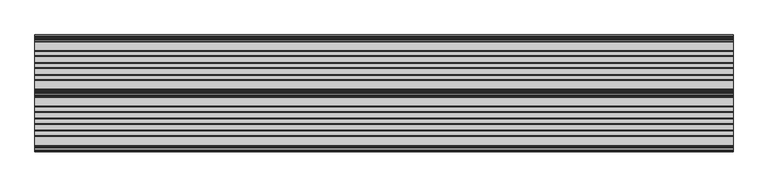
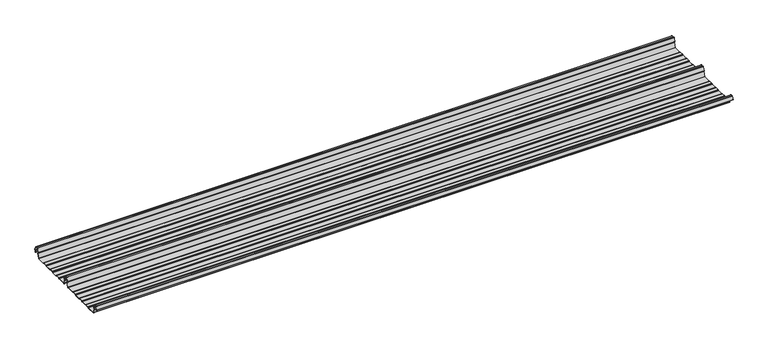
"""IFC4 building model written with IfcOpenShell, lengths in millimetres: beam geometry."""

from ifc_helpers import new_model, si_unit, point, frame, frame_2d, origin, place, context, project, spatial, polyline, circle_curve, trimmed, segment, composite_curve, outline, extrude, source, transform, mapped, element, save


def beam_7d9052f3(model_context):
    return source(origin(), model_context, "Body", "SweptSolid", [
        extrude(outline(composite_curve([segment(trimmed(circle_curve(frame_2d((-231.1362436, -24.0396475)), 1.75), [point((-231.1362436, -25.7896475))], [point((-232.7807057, -24.6381827))], False, "CARTESIAN"), True, "CONTINUOUS"), segment(polyline([(-232.7807057, -24.6381827), (-241.6888002, -2.1633943)]), True, "CONTINUOUS"), segment(trimmed(circle_curve(frame_2d((-240.0443381, -1.5648591)), 1.75), [point((-241.6888002, -2.1633943))], [point((-240.4972714, 0.1255111))], False, "CARTESIAN"), True, "CONTINUOUS"), segment(polyline([(-240.4972714, 0.1255111), (-237.8419476, 0.837003)]), True, "CONTINUOUS"), segment(trimmed(circle_curve(frame_2d((-238.1654714, 2.0444103)), 1.25), [point((-237.8419476, 0.837003))], [point((-236.9908556, 2.4719355))], True, "CARTESIAN"), True, "CONTINUOUS"), segment(polyline([(-236.9908556, 2.4719355), (-243.8110817, 21.2103525), (-250.0, 21.2103525), (-256.1889183, 21.2103525), (-263.0091444, 2.4719355)]), True, "CONTINUOUS"), segment(trimmed(circle_curve(frame_2d((-261.8345286, 2.0444103)), 1.25), [point((-263.0091444, 2.4719355))], [point((-262.1580524, 0.837003))], True, "CARTESIAN"), True, "CONTINUOUS"), segment(polyline([(-262.1580524, 0.837003), (-259.5027286, 0.1255111)]), True, "CONTINUOUS"), segment(trimmed(circle_curve(frame_2d((-259.9556619, -1.5648591)), 1.75), [point((-259.5027286, 0.1255111))], [point((-258.3111998, -2.1633943))], False, "CARTESIAN"), True, "CONTINUOUS"), segment(polyline([(-258.3111998, -2.1633943), (-267.2192943, -24.6381827)]), True, "CONTINUOUS"), segment(trimmed(circle_curve(frame_2d((-268.8637564, -24.0396475)), 1.75), [point((-267.2192943, -24.6381827))], [point((-268.8637564, -25.7896475))], False, "CARTESIAN"), True, "CONTINUOUS"), segment(polyline([(-268.8637564, -25.7896475), (-307.3786797, -25.7896475)]), True, "CONTINUOUS"), segment(trimmed(circle_curve(frame_2d((-307.3786797, -24.0396475)), 1.75), [point((-307.3786797, -25.7896475))], [point((-308.6161165, -25.2770843))], False, "CARTESIAN"), True, "CONTINUOUS"), segment(polyline([(-308.6161165, -25.2770843), (-310.7788845, -23.1143163)]), True, "CONTINUOUS"), segment(trimmed(circle_curve(frame_2d((-311.5627045, -23.8981363)), 1.1084889), [point((-310.7788845, -23.1143163))], [point((-311.5627045, -22.7896475))], True, "CARTESIAN"), True, "CONTINUOUS"), segment(polyline([(-311.5627045, -22.7896475), (-330.4372955, -22.7896475)]), True, "CONTINUOUS"), segment(trimmed(circle_curve(frame_2d((-330.4372955, -23.8981363)), 1.1084889), [point((-330.4372955, -22.7896475))], [point((-331.2211155, -23.1143163))], True, "CARTESIAN"), True, "CONTINUOUS"), segment(polyline([(-331.2211155, -23.1143163), (-333.3838835, -25.2770843)]), True, "CONTINUOUS"), segment(trimmed(circle_curve(frame_2d((-334.6213203, -24.0396475)), 1.75), [point((-333.3838835, -25.2770843))], [point((-334.6213203, -25.7896475))], False, "CARTESIAN"), True, "CONTINUOUS"), segment(polyline([(-334.6213203, -25.7896475), (-361.3786797, -25.7896475)]), True, "CONTINUOUS"), segment(trimmed(circle_curve(frame_2d((-361.3786797, -24.0396475)), 1.75), [point((-361.3786797, -25.7896475))], [point((-362.6161165, -25.2770843))], False, "CARTESIAN"), True, "CONTINUOUS"), segment(polyline([(-362.6161165, -25.2770843), (-364.7788845, -23.1143163)]), True, "CONTINUOUS"), segment(trimmed(circle_curve(frame_2d((-365.5627045, -23.8981363)), 1.1084889), [point((-364.7788845, -23.1143163))], [point((-365.5627045, -22.7896475))], True, "CARTESIAN"), True, "CONTINUOUS"), segment(polyline([(-365.5627045, -22.7896475), (-384.4372955, -22.7896475)]), True, "CONTINUOUS"), segment(trimmed(circle_curve(frame_2d((-384.4372955, -23.8981363)), 1.1084889), [point((-384.4372955, -22.7896475))], [point((-385.2211155, -23.1143163))], True, "CARTESIAN"), True, "CONTINUOUS"), segment(polyline([(-385.2211155, -23.1143163), (-387.3838835, -25.2770843)]), True, "CONTINUOUS"), segment(trimmed(circle_curve(frame_2d((-388.6213203, -24.0396475)), 1.75), [point((-387.3838835, -25.2770843))], [point((-388.6213203, -25.7896475))], False, "CARTESIAN"), True, "CONTINUOUS"), segment(polyline([(-388.6213203, -25.7896475), (-415.3786797, -25.7896475)]), True, "CONTINUOUS"), segment(trimmed(circle_curve(frame_2d((-415.3786797, -24.0396475)), 1.75), [point((-415.3786797, -25.7896475))], [point((-416.6161165, -25.2770843))], False, "CARTESIAN"), True, "CONTINUOUS"), segment(polyline([(-416.6161165, -25.2770843), (-418.7788845, -23.1143163)]), True, "CONTINUOUS"), segment(trimmed(circle_curve(frame_2d((-419.5627045, -23.8981363)), 1.1084889), [point((-418.7788845, -23.1143163))], [point((-419.5627045, -22.7896475))], True, "CARTESIAN"), True, "CONTINUOUS"), segment(polyline([(-419.5627045, -22.7896475), (-438.4372955, -22.7896475)]), True, "CONTINUOUS"), segment(trimmed(circle_curve(frame_2d((-438.4372955, -23.8981363)), 1.1084889), [point((-438.4372955, -22.7896475))], [point((-439.2211155, -23.1143163))], True, "CARTESIAN"), True, "CONTINUOUS"), segment(polyline([(-439.2211155, -23.1143163), (-441.3838835, -25.2770843)]), True, "CONTINUOUS"), segment(trimmed(circle_curve(frame_2d((-442.6213203, -24.0396475)), 1.75), [point((-441.3838835, -25.2770843))], [point((-442.6213203, -25.7896475))], False, "CARTESIAN"), True, "CONTINUOUS"), segment(polyline([(-442.6213203, -25.7896475), (-483.287616, -25.7896475)]), True, "CONTINUOUS"), segment(trimmed(circle_curve(frame_2d((-483.287616, -24.0396475)), 1.75), [point((-483.287616, -25.7896475))], [point((-484.8955882, -24.7302452))], False, "CARTESIAN"), True, "CONTINUOUS"), segment(polyline([(-484.8955882, -24.7302452), (-493.5565428, -2.8789816)]), True, "CONTINUOUS"), segment(trimmed(circle_curve(frame_2d((-490.0443381, -1.5648591)), 3.75), [point((-493.5565428, -2.8789816))], [point((-490.3464639, 2.1729504))], False, "CARTESIAN"), True, "CONTINUOUS"), segment(trimmed(circle_curve(frame_2d((-490.426413, 3.162057)), 0.9923325), [point((-490.3464639, 2.1729504))], [point((-489.4939255, 3.5014547))], True, "CARTESIAN"), True, "CONTINUOUS"), segment(polyline([(-489.4939255, 3.5014547), (-494.9720116, 18.5523727)]), True, "CONTINUOUS"), segment(trimmed(circle_curve(frame_2d((-495.9117043, 18.2103525)), 1.0), [point((-494.9720116, 18.5523727))], [point((-495.9117043, 19.2103525))], True, "CARTESIAN"), True, "CONTINUOUS"), segment(polyline([(-495.9117043, 19.2103525), (-504.0882957, 19.2103525)]), True, "CONTINUOUS"), segment(trimmed(circle_curve(frame_2d((-504.0882957, 18.2103525)), 1.0), [point((-504.0882957, 19.2103525))], [point((-505.0279884, 18.5523727))], True, "CARTESIAN"), True, "CONTINUOUS"), segment(polyline([(-505.0279884, 18.5523727), (-510.4799156, 3.5733257)]), True, "CONTINUOUS"), segment(trimmed(circle_curve(frame_2d((-510.9497619, 3.7443357)), 0.5), [point((-510.4799156, 3.5733257))], [point((-511.4196082, 3.9153458))], False, "CARTESIAN"), True, "CONTINUOUS"), segment(polyline([(-511.4196082, 3.9153458), (-505.967681, 18.8943928)]), True, "CONTINUOUS"), segment(trimmed(circle_curve(frame_2d((-504.0882957, 18.2103525)), 2.0), [point((-505.967681, 18.8943928))], [point((-504.0882957, 20.2103525))], False, "CARTESIAN"), True, "CONTINUOUS"), segment(polyline([(-504.0882957, 20.2103525), (-495.9117043, 20.2103525)]), True, "CONTINUOUS"), segment(trimmed(circle_curve(frame_2d((-495.9117043, 18.2103525)), 2.0), [point((-495.9117043, 20.2103525))], [point((-494.032319, 18.8943928))], False, "CARTESIAN"), True, "CONTINUOUS"), segment(polyline([(-494.032319, 18.8943928), (-488.5542329, 3.8434749)]), True, "CONTINUOUS"), segment(trimmed(circle_curve(frame_2d((-490.426413, 3.162057)), 1.9923325), [point((-488.5542329, 3.8434749))], [point((-490.265897, 1.1762012))], False, "CARTESIAN"), True, "CONTINUOUS"), segment(trimmed(circle_curve(frame_2d((-490.0443381, -1.5648591)), 2.75), [point((-490.265897, 1.1762012))], [point((-492.6230664, -2.5201915))], True, "CARTESIAN"), True, "CONTINUOUS"), segment(polyline([(-492.6230664, -2.5201915), (-483.9722515, -24.3458733)]), True, "CONTINUOUS"), segment(trimmed(circle_curve(frame_2d((-483.287616, -24.0396475)), 0.75), [point((-483.9722515, -24.3458733))], [point((-483.287616, -24.7896475))], True, "CARTESIAN"), True, "CONTINUOUS"), segment(polyline([(-483.287616, -24.7896475), (-442.7420401, -24.7896475)]), True, "CONTINUOUS"), segment(trimmed(circle_curve(frame_2d((-442.7420401, -23.7482041)), 1.0414433), [point((-442.7420401, -24.7896475))], [point((-442.0056285, -24.4846158))], True, "CARTESIAN"), True, "CONTINUOUS"), segment(polyline([(-442.0056285, -24.4846158), (-439.9696699, -22.4486572)]), True, "CONTINUOUS"), segment(trimmed(circle_curve(frame_2d((-438.3786797, -24.0396475)), 2.25), [point((-439.9696699, -22.4486572))], [point((-438.3786797, -21.7896475))], False, "CARTESIAN"), True, "CONTINUOUS"), segment(polyline([(-438.3786797, -21.7896475), (-419.6213203, -21.7896475)]), True, "CONTINUOUS"), segment(trimmed(circle_curve(frame_2d((-419.6213203, -24.0396475)), 2.25), [point((-419.6213203, -21.7896475))], [point((-418.0303301, -22.4486572))], False, "CARTESIAN"), True, "CONTINUOUS"), segment(polyline([(-418.0303301, -22.4486572), (-415.9943715, -24.4846158)]), True, "CONTINUOUS"), segment(trimmed(circle_curve(frame_2d((-415.2579599, -23.7482041)), 1.0414433), [point((-415.9943715, -24.4846158))], [point((-415.2579599, -24.7896475))], True, "CARTESIAN"), True, "CONTINUOUS"), segment(polyline([(-415.2579599, -24.7896475), (-388.7420401, -24.7896475)]), True, "CONTINUOUS"), segment(trimmed(circle_curve(frame_2d((-388.7420401, -23.7482041)), 1.0414433), [point((-388.7420401, -24.7896475))], [point((-388.0056285, -24.4846158))], True, "CARTESIAN"), True, "CONTINUOUS"), segment(polyline([(-388.0056285, -24.4846158), (-385.9696699, -22.4486572)]), True, "CONTINUOUS"), segment(trimmed(circle_curve(frame_2d((-384.3786797, -24.0396475)), 2.25), [point((-385.9696699, -22.4486572))], [point((-384.3786797, -21.7896475))], False, "CARTESIAN"), True, "CONTINUOUS"), segment(polyline([(-384.3786797, -21.7896475), (-365.6213203, -21.7896475)]), True, "CONTINUOUS"), segment(trimmed(circle_curve(frame_2d((-365.6213203, -24.0396475)), 2.25), [point((-365.6213203, -21.7896475))], [point((-364.0303301, -22.4486572))], False, "CARTESIAN"), True, "CONTINUOUS"), segment(polyline([(-364.0303301, -22.4486572), (-361.9943715, -24.4846158)]), True, "CONTINUOUS"), segment(trimmed(circle_curve(frame_2d((-361.2579599, -23.7482041)), 1.0414433), [point((-361.9943715, -24.4846158))], [point((-361.2579599, -24.7896475))], True, "CARTESIAN"), True, "CONTINUOUS"), segment(polyline([(-361.2579599, -24.7896475), (-334.7420401, -24.7896475)]), True, "CONTINUOUS"), segment(trimmed(circle_curve(frame_2d((-334.7420401, -23.7482041)), 1.0414433), [point((-334.7420401, -24.7896475))], [point((-334.0056285, -24.4846158))], True, "CARTESIAN"), True, "CONTINUOUS"), segment(polyline([(-334.0056285, -24.4846158), (-331.9696699, -22.4486572)]), True, "CONTINUOUS"), segment(trimmed(circle_curve(frame_2d((-330.3786797, -24.0396475)), 2.25), [point((-331.9696699, -22.4486572))], [point((-330.3786797, -21.7896475))], False, "CARTESIAN"), True, "CONTINUOUS"), segment(polyline([(-330.3786797, -21.7896475), (-311.6213203, -21.7896475)]), True, "CONTINUOUS"), segment(trimmed(circle_curve(frame_2d((-311.6213203, -24.0396475)), 2.25), [point((-311.6213203, -21.7896475))], [point((-310.0303301, -22.4486572))], False, "CARTESIAN"), True, "CONTINUOUS"), segment(polyline([(-310.0303301, -22.4486572), (-307.9943715, -24.4846158)]), True, "CONTINUOUS"), segment(trimmed(circle_curve(frame_2d((-307.2579599, -23.7482041)), 1.0414433), [point((-307.9943715, -24.4846158))], [point((-307.2579599, -24.7896475))], True, "CARTESIAN"), True, "CONTINUOUS"), segment(polyline([(-307.2579599, -24.7896475), (-268.8637564, -24.7896475)]), True, "CONTINUOUS"), segment(trimmed(circle_curve(frame_2d((-268.8637564, -24.0396475)), 0.75), [point((-268.8637564, -24.7896475))], [point((-268.1552359, -24.2856122))], True, "CARTESIAN"), True, "CONTINUOUS"), segment(polyline([(-268.1552359, -24.2856122), (-259.2471414, -1.8108238)]), True, "CONTINUOUS"), segment(trimmed(circle_curve(frame_2d((-259.9556619, -1.5648591)), 0.75), [point((-259.2471414, -1.8108238))], [point((-259.7615476, -0.8404147))], True, "CARTESIAN"), True, "CONTINUOUS"), segment(polyline([(-259.7615476, -0.8404147), (-262.4168715, -0.1289228)]), True, "CONTINUOUS"), segment(trimmed(circle_curve(frame_2d((-261.8345286, 2.0444103)), 2.25), [point((-262.4168715, -0.1289228))], [point((-263.948837, 2.8139556))], False, "CARTESIAN"), True, "CONTINUOUS"), segment(polyline([(-263.948837, 2.8139556), (-257.1273286, 21.5558959)]), True, "CONTINUOUS"), segment(trimmed(circle_curve(frame_2d((-256.1926676, 21.2157071)), 0.9946455), [point((-257.1273286, 21.5558959))], [point((-256.1926676, 22.2103525))], False, "CARTESIAN"), True, "CONTINUOUS"), segment(polyline([(-256.1926676, 22.2103525), (-250.0, 22.2103525), (-243.8073324, 22.2103525)]), True, "CONTINUOUS"), segment(trimmed(circle_curve(frame_2d((-243.8073324, 21.2157071)), 0.9946455), [point((-243.8073324, 22.2103525))], [point((-242.8726714, 21.5558959))], False, "CARTESIAN"), True, "CONTINUOUS"), segment(polyline([(-242.8726714, 21.5558959), (-236.051163, 2.8139556)]), True, "CONTINUOUS"), segment(trimmed(circle_curve(frame_2d((-238.1654714, 2.0444103)), 2.25), [point((-236.051163, 2.8139556))], [point((-237.5831285, -0.1289228))], False, "CARTESIAN"), True, "CONTINUOUS"), segment(polyline([(-237.5831285, -0.1289228), (-240.2384524, -0.8404147)]), True, "CONTINUOUS"), segment(trimmed(circle_curve(frame_2d((-240.0443381, -1.5648591)), 0.75), [point((-240.2384524, -0.8404147))], [point((-240.7528586, -1.8108238))], True, "CARTESIAN"), True, "CONTINUOUS"), segment(polyline([(-240.7528586, -1.8108238), (-231.8447641, -24.2856122)]), True, "CONTINUOUS"), segment(trimmed(circle_curve(frame_2d((-231.1362436, -24.0396475)), 0.75), [point((-231.8447641, -24.2856122))], [point((-231.1362436, -24.7896475))], True, "CARTESIAN"), True, "CONTINUOUS"), segment(polyline([(-231.1362436, -24.7896475), (-192.7420401, -24.7896475)]), True, "CONTINUOUS"), segment(trimmed(circle_curve(frame_2d((-192.7420401, -23.7482041)), 1.0414433), [point((-192.7420401, -24.7896475))], [point((-192.0056285, -24.4846158))], True, "CARTESIAN"), True, "CONTINUOUS"), segment(polyline([(-192.0056285, -24.4846158), (-189.9696699, -22.4486572)]), True, "CONTINUOUS"), segment(trimmed(circle_curve(frame_2d((-188.3786797, -24.0396475)), 2.25), [point((-189.9696699, -22.4486572))], [point((-188.3786797, -21.7896475))], False, "CARTESIAN"), True, "CONTINUOUS"), segment(polyline([(-188.3786797, -21.7896475), (-169.6213203, -21.7896475)]), True, "CONTINUOUS"), segment(trimmed(circle_curve(frame_2d((-169.6213203, -24.0396475)), 2.25), [point((-169.6213203, -21.7896475))], [point((-168.0303301, -22.4486572))], False, "CARTESIAN"), True, "CONTINUOUS"), segment(polyline([(-168.0303301, -22.4486572), (-165.9943715, -24.4846158)]), True, "CONTINUOUS"), segment(trimmed(circle_curve(frame_2d((-165.2579599, -23.7482041)), 1.0414433), [point((-165.9943715, -24.4846158))], [point((-165.2579599, -24.7896475))], True, "CARTESIAN"), True, "CONTINUOUS"), segment(polyline([(-165.2579599, -24.7896475), (-138.7420401, -24.7896475)]), True, "CONTINUOUS"), segment(trimmed(circle_curve(frame_2d((-138.7420401, -23.7482041)), 1.0414433), [point((-138.7420401, -24.7896475))], [point((-138.0056285, -24.4846158))], True, "CARTESIAN"), True, "CONTINUOUS"), segment(polyline([(-138.0056285, -24.4846158), (-135.9696699, -22.4486572)]), True, "CONTINUOUS"), segment(trimmed(circle_curve(frame_2d((-134.3786797, -24.0396475)), 2.25), [point((-135.9696699, -22.4486572))], [point((-134.3786797, -21.7896475))], False, "CARTESIAN"), True, "CONTINUOUS"), segment(polyline([(-134.3786797, -21.7896475), (-115.6213203, -21.7896475)]), True, "CONTINUOUS"), segment(trimmed(circle_curve(frame_2d((-115.6213203, -24.0396475)), 2.25), [point((-115.6213203, -21.7896475))], [point((-114.0303301, -22.4486572))], False, "CARTESIAN"), True, "CONTINUOUS"), segment(polyline([(-114.0303301, -22.4486572), (-111.9943715, -24.4846158)]), True, "CONTINUOUS"), segment(trimmed(circle_curve(frame_2d((-111.2579599, -23.7482041)), 1.0414433), [point((-111.9943715, -24.4846158))], [point((-111.2579599, -24.7896475))], True, "CARTESIAN"), True, "CONTINUOUS"), segment(polyline([(-111.2579599, -24.7896475), (-84.7420401, -24.7896475)]), True, "CONTINUOUS"), segment(trimmed(circle_curve(frame_2d((-84.7420401, -23.7482041)), 1.0414433), [point((-84.7420401, -24.7896475))], [point((-84.0056285, -24.4846158))], True, "CARTESIAN"), True, "CONTINUOUS"), segment(polyline([(-84.0056285, -24.4846158), (-81.9696699, -22.4486572)]), True, "CONTINUOUS"), segment(trimmed(circle_curve(frame_2d((-80.3786797, -24.0396475)), 2.25), [point((-81.9696699, -22.4486572))], [point((-80.3786797, -21.7896475))], False, "CARTESIAN"), True, "CONTINUOUS"), segment(polyline([(-80.3786797, -21.7896475), (-61.6213203, -21.7896475)]), True, "CONTINUOUS"), segment(trimmed(circle_curve(frame_2d((-61.6213203, -24.0396475)), 2.25), [point((-61.6213203, -21.7896475))], [point((-60.0303301, -22.4486572))], False, "CARTESIAN"), True, "CONTINUOUS"), segment(polyline([(-60.0303301, -22.4486572), (-57.9943715, -24.4846158)]), True, "CONTINUOUS"), segment(trimmed(circle_curve(frame_2d((-57.2579599, -23.7482041)), 1.0414433), [point((-57.9943715, -24.4846158))], [point((-57.2579599, -24.7896475))], True, "CARTESIAN"), True, "CONTINUOUS"), segment(polyline([(-57.2579599, -24.7896475), (-18.8637564, -24.7896475)]), True, "CONTINUOUS"), segment(trimmed(circle_curve(frame_2d((-18.8637564, -24.0396475)), 0.75), [point((-18.8637564, -24.7896475))], [point((-18.1552359, -24.2856122))], True, "CARTESIAN"), True, "CONTINUOUS"), segment(polyline([(-18.1552359, -24.2856122), (-9.2471414, -1.8108238)]), True, "CONTINUOUS"), segment(trimmed(circle_curve(frame_2d((-9.9556619, -1.5648591)), 0.75), [point((-9.2471414, -1.8108238))], [point((-9.7615476, -0.8404147))], True, "CARTESIAN"), True, "CONTINUOUS"), segment(polyline([(-9.7615476, -0.8404147), (-12.4168715, -0.1289228)]), True, "CONTINUOUS"), segment(trimmed(circle_curve(frame_2d((-11.8345286, 2.0444103)), 2.25), [point((-12.4168715, -0.1289228))], [point((-13.948837, 2.8139556))], False, "CARTESIAN"), True, "CONTINUOUS"), segment(polyline([(-13.948837, 2.8139556), (-7.1273286, 21.5558959)]), True, "CONTINUOUS"), segment(trimmed(circle_curve(frame_2d((-6.1926676, 21.2157071)), 0.9946455), [point((-7.1273286, 21.5558959))], [point((-6.1926676, 22.2103525))], False, "CARTESIAN"), True, "CONTINUOUS"), segment(polyline([(-6.1926676, 22.2103525), (0.0, 22.2103525), (6.1926676, 22.2103525)]), True, "CONTINUOUS"), segment(trimmed(circle_curve(frame_2d((6.1926676, 21.2157071)), 0.9946455), [point((6.1926676, 22.2103525))], [point((7.1273286, 21.5558959))], False, "CARTESIAN"), True, "CONTINUOUS"), segment(polyline([(7.1273286, 21.5558959), (13.948837, 2.8139556)]), True, "CONTINUOUS"), segment(trimmed(circle_curve(frame_2d((11.8345286, 2.0444103)), 2.25), [point((13.948837, 2.8139556))], [point((12.4168715, -0.1289228))], False, "CARTESIAN"), True, "CONTINUOUS"), segment(polyline([(12.4168715, -0.1289228), (9.7615476, -0.8404147)]), True, "CONTINUOUS"), segment(trimmed(circle_curve(frame_2d((9.9556619, -1.5648591)), 0.75), [point((9.7615476, -0.8404147))], [point((9.2471414, -1.8108238))], True, "CARTESIAN"), True, "CONTINUOUS"), segment(polyline([(9.2471414, -1.8108238), (12.5127954, -10.0499465)]), True, "CONTINUOUS"), segment(trimmed(circle_curve(frame_2d((12.0479758, -10.2341821)), 0.5), [point((12.5127954, -10.0499465))], [point((11.5831563, -10.4184177))], False, "CARTESIAN"), True, "CONTINUOUS"), segment(polyline([(11.5831563, -10.4184177), (8.3111998, -2.1633943)]), True, "CONTINUOUS"), segment(trimmed(circle_curve(frame_2d((9.9556619, -1.5648591)), 1.75), [point((8.3111998, -2.1633943))], [point((9.5027286, 0.1255111))], False, "CARTESIAN"), True, "CONTINUOUS"), segment(polyline([(9.5027286, 0.1255111), (12.1580524, 0.837003)]), True, "CONTINUOUS"), segment(trimmed(circle_curve(frame_2d((11.8345286, 2.0444103)), 1.25), [point((12.1580524, 0.837003))], [point((13.0091444, 2.4719355))], True, "CARTESIAN"), True, "CONTINUOUS"), segment(polyline([(13.0091444, 2.4719355), (6.1889183, 21.2103525), (0.0, 21.2103525), (-6.1889183, 21.2103525), (-13.0091444, 2.4719355)]), True, "CONTINUOUS"), segment(trimmed(circle_curve(frame_2d((-11.8345286, 2.0444103)), 1.25), [point((-13.0091444, 2.4719355))], [point((-12.1580524, 0.837003))], True, "CARTESIAN"), True, "CONTINUOUS"), segment(polyline([(-12.1580524, 0.837003), (-9.5027286, 0.1255111)]), True, "CONTINUOUS"), segment(trimmed(circle_curve(frame_2d((-9.9556619, -1.5648591)), 1.75), [point((-9.5027286, 0.1255111))], [point((-8.3111998, -2.1633943))], False, "CARTESIAN"), True, "CONTINUOUS"), segment(polyline([(-8.3111998, -2.1633943), (-17.2192943, -24.6381827)]), True, "CONTINUOUS"), segment(trimmed(circle_curve(frame_2d((-18.8637564, -24.0396475)), 1.75), [point((-17.2192943, -24.6381827))], [point((-18.8637564, -25.7896475))], False, "CARTESIAN"), True, "CONTINUOUS"), segment(polyline([(-18.8637564, -25.7896475), (-57.3786797, -25.7896475)]), True, "CONTINUOUS"), segment(trimmed(circle_curve(frame_2d((-57.3786797, -24.0396475)), 1.75), [point((-57.3786797, -25.7896475))], [point((-58.6161165, -25.2770843))], False, "CARTESIAN"), True, "CONTINUOUS"), segment(polyline([(-58.6161165, -25.2770843), (-60.7788845, -23.1143163)]), True, "CONTINUOUS"), segment(trimmed(circle_curve(frame_2d((-61.5627045, -23.8981363)), 1.1084889), [point((-60.7788845, -23.1143163))], [point((-61.5627045, -22.7896475))], True, "CARTESIAN"), True, "CONTINUOUS"), segment(polyline([(-61.5627045, -22.7896475), (-80.4372955, -22.7896475)]), True, "CONTINUOUS"), segment(trimmed(circle_curve(frame_2d((-80.4372955, -23.8981363)), 1.1084889), [point((-80.4372955, -22.7896475))], [point((-81.2211155, -23.1143163))], True, "CARTESIAN"), True, "CONTINUOUS"), segment(polyline([(-81.2211155, -23.1143163), (-83.3838835, -25.2770843)]), True, "CONTINUOUS"), segment(trimmed(circle_curve(frame_2d((-84.6213203, -24.0396475)), 1.75), [point((-83.3838835, -25.2770843))], [point((-84.6213203, -25.7896475))], False, "CARTESIAN"), True, "CONTINUOUS"), segment(polyline([(-84.6213203, -25.7896475), (-111.3786797, -25.7896475)]), True, "CONTINUOUS"), segment(trimmed(circle_curve(frame_2d((-111.3786797, -24.0396475)), 1.75), [point((-111.3786797, -25.7896475))], [point((-112.6161165, -25.2770843))], False, "CARTESIAN"), True, "CONTINUOUS"), segment(polyline([(-112.6161165, -25.2770843), (-114.7788845, -23.1143163)]), True, "CONTINUOUS"), segment(trimmed(circle_curve(frame_2d((-115.5627045, -23.8981363)), 1.1084889), [point((-114.7788845, -23.1143163))], [point((-115.5627045, -22.7896475))], True, "CARTESIAN"), True, "CONTINUOUS"), segment(polyline([(-115.5627045, -22.7896475), (-134.4372955, -22.7896475)]), True, "CONTINUOUS"), segment(trimmed(circle_curve(frame_2d((-134.4372955, -23.8981363)), 1.1084889), [point((-134.4372955, -22.7896475))], [point((-135.2211155, -23.1143163))], True, "CARTESIAN"), True, "CONTINUOUS"), segment(polyline([(-135.2211155, -23.1143163), (-137.3838835, -25.2770843)]), True, "CONTINUOUS"), segment(trimmed(circle_curve(frame_2d((-138.6213203, -24.0396475)), 1.75), [point((-137.3838835, -25.2770843))], [point((-138.6213203, -25.7896475))], False, "CARTESIAN"), True, "CONTINUOUS"), segment(polyline([(-138.6213203, -25.7896475), (-165.3786797, -25.7896475)]), True, "CONTINUOUS"), segment(trimmed(circle_curve(frame_2d((-165.3786797, -24.0396475)), 1.75), [point((-165.3786797, -25.7896475))], [point((-166.6161165, -25.2770843))], False, "CARTESIAN"), True, "CONTINUOUS"), segment(polyline([(-166.6161165, -25.2770843), (-168.7788845, -23.1143163)]), True, "CONTINUOUS"), segment(trimmed(circle_curve(frame_2d((-169.5627045, -23.8981363)), 1.1084889), [point((-168.7788845, -23.1143163))], [point((-169.5627045, -22.7896475))], True, "CARTESIAN"), True, "CONTINUOUS"), segment(polyline([(-169.5627045, -22.7896475), (-188.4372955, -22.7896475)]), True, "CONTINUOUS"), segment(trimmed(circle_curve(frame_2d((-188.4372955, -23.8981363)), 1.1084889), [point((-188.4372955, -22.7896475))], [point((-189.2211155, -23.1143163))], True, "CARTESIAN"), True, "CONTINUOUS"), segment(polyline([(-189.2211155, -23.1143163), (-191.3838835, -25.2770843)]), True, "CONTINUOUS"), segment(trimmed(circle_curve(frame_2d((-192.6213203, -24.0396475)), 1.75), [point((-191.3838835, -25.2770843))], [point((-192.6213203, -25.7896475))], False, "CARTESIAN"), True, "CONTINUOUS"), segment(polyline([(-192.6213203, -25.7896475), (-231.1362436, -25.7896475)]), True, "CONTINUOUS")], self_intersect=False)), frame((-1569.9514011, 0.0, 0.0), z_axis=(1.0, 0.0, 0.0), x_axis=(0.0, 1.0, 0.0)), (0.0, 0.0, 1.0), 3139.9028022),
    ])


if __name__ == "__main__":
    model = new_model("IFC4")
    model_context = context("Model", 3, world=origin())
    ifc_project = project(units=[si_unit("LENGTHUNIT", "METRE", prefix="MILLI")], contexts=[model_context])
    site = spatial("IfcSite", under=ifc_project)
    building = spatial("IfcBuilding", under=site)
    placement = place(None, origin())
    beam_shape = beam_7d9052f3(model_context)
    element("IfcBeam", 1, at=placement, inside=building, context=model_context, shape_type="MappedRepresentation", body=[
        mapped(beam_shape, transform((0.0, 0.0, 0.0), x_axis=(1.0, 0.0, 0.0), y_axis=(0.0, 1.0, 0.0), z_axis=(0.0, 0.0, 1.0))),
    ])
    save(model, "model.ifc")
